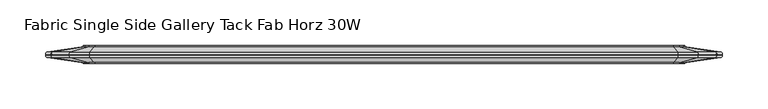
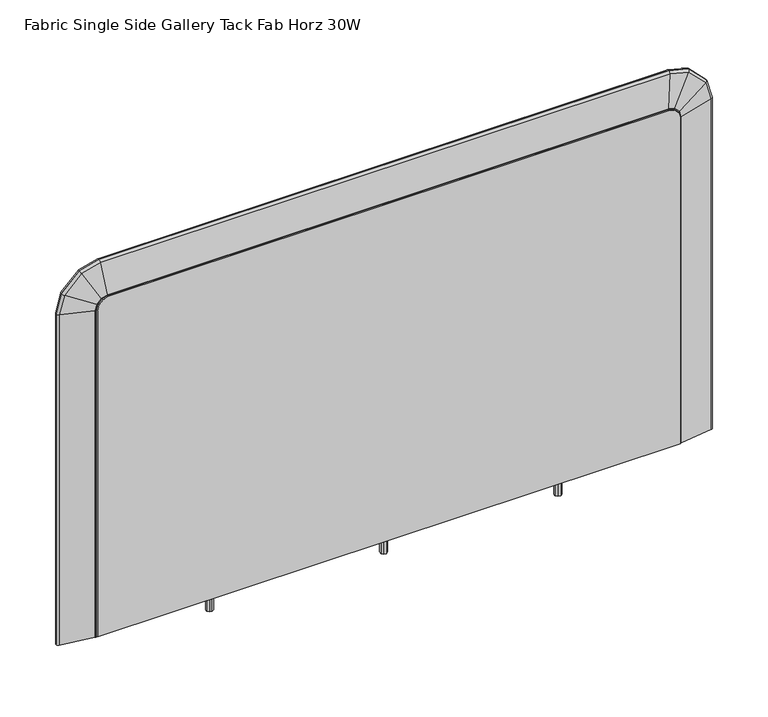
"""IFC4 building model written with IfcOpenShell, lengths in millimetres: furniture geometry, Fabric Single Side Gallery Tack Fab Horz 30W."""

from ifc_helpers import new_model, si_unit, frame, origin, place, context, project, spatial, polyline, circle_curve, ellipse_curve, outline, extrude, faceted_brep, source, transform, mapped, element, save
from ifc_brep_helpers import plane_surface, cylinder_surface, advanced_brep


def fabric_single_side_gallery_tack_fab_horz_30w_cdfecbd6(model_context):
    return source(origin(), model_context, "Body", "SolidModel", [
        faceted_brep([(182.0608047, -24.5352982, 727.3148755), (182.0608047, -38.5848849, 727.3148755), (161.465212, -38.5848849, 727.3148755), (161.465212, -24.5352982, 727.3148755), (161.465212, -24.5352982, 721.056912), (182.0608047, -24.5352982, 721.056912), (161.465212, -38.5848849, 721.056912), (182.0608047, -38.5848849, 721.056912), (41.35374, -21.6312787, 721.056912), (41.35374, -21.6312787, 1111.5510233), (43.0552145, -21.6312787, 1117.9009991), (47.7037408, -21.6312787, 1122.5494799), (54.0537392, -21.6312787, 1124.2509748), (689.0537158, -21.6312787, 1124.2509748), (695.4036916, -21.6312787, 1122.5494799), (700.052245, -21.6312787, 1117.9009991), (701.75374, -21.6312787, 1111.5510233), (701.75374, -21.6312787, 721.056912), (41.35374, -41.6655198, 721.056912), (701.75374, -41.6655198, 721.056912), (701.75374, -41.6655198, 1111.5510233), (700.052245, -41.6655198, 1117.9009991), (695.4036916, -41.6655198, 1122.5494799), (689.0537158, -41.6655198, 1124.2509748), (54.0537392, -41.6655198, 1124.2509748), (47.7037408, -41.6655198, 1122.5494799), (43.0552145, -41.6655198, 1117.9009991), (41.35374, -41.6655198, 1111.5510233), (581.4452878, -24.5352982, 721.056912), (556.0744951, -24.5352982, 721.056912), (556.0744951, -38.5848849, 721.056912), (581.4452878, -38.5848849, 721.056912), (556.0744951, -24.5352982, 727.3148755), (581.4452878, -24.5352982, 727.3148755), (581.4452878, -38.5848849, 727.3148755), (556.0744951, -38.5848849, 727.3148755)], [[[0, 1, 2, 3]], [[0, 3, 4, 5]], [[3, 2, 6, 4]], [[2, 1, 7, 6]], [[1, 0, 5, 7]], [[8, 9, 10, 11, 12, 13, 14, 15, 16, 17]], [[18, 19, 20, 21, 22, 23, 24, 25, 26, 27]], [[9, 8, 18, 27]], [[10, 9, 27, 26]], [[11, 10, 26, 25]], [[12, 11, 25, 24]], [[13, 12, 24, 23]], [[14, 13, 23, 22]], [[15, 14, 22, 21]], [[16, 15, 21, 20]], [[17, 16, 20, 19]], [[8, 17, 19, 18], [5, 4, 6, 7], [28, 29, 30, 31]], [[32, 33, 34, 35]], [[33, 32, 29, 28]], [[34, 33, 28, 31]], [[35, 34, 31, 30]], [[32, 35, 30, 29]]]),
        extrude(outline(polyline([(567.8115069, -27.7980412), (570.8230782, -28.1945209), (572.6722204, -30.6043713), (572.2757329, -33.6159343), (569.8658873, -35.4650775), (566.854316, -35.0685977), (565.0051738, -32.6587474), (565.4016613, -29.6471844), (567.8115069, -27.7980412)]), holes=[polyline([(567.8826636, -28.0636008), (565.6397553, -29.7846483), (565.2707337, -32.5875912), (566.9917799, -34.8305034), (569.7947306, -35.1995178), (572.0376389, -33.4784704), (572.4066605, -30.6755274), (570.6856143, -28.4326153), (567.8826636, -28.0636008)])]), frame((0.0, 0.0, 700.99428), z_axis=(0.0, 0.0, 1.0), x_axis=(1.0, 0.0, 0.0)), (0.0, 0.0, 1.0), 26.3205955),
        extrude(outline(polyline([(173.0545058, -27.7980412), (176.0660771, -28.1945209), (177.9152193, -30.6043713), (177.5187318, -33.6159343), (175.1088862, -35.4650775), (172.0973149, -35.0685977), (170.2481727, -32.6587474), (170.6446602, -29.6471844), (173.0545058, -27.7980412)]), holes=[polyline([(173.1256625, -28.0636008), (170.8827542, -29.7846483), (170.5137326, -32.5875912), (172.2347788, -34.8305034), (175.0377295, -35.1995178), (177.2806378, -33.4784704), (177.6496594, -30.6755274), (175.9286132, -28.4326153), (173.1256625, -28.0636008)])]), frame((0.0, 0.0, 700.99428), z_axis=(0.0, 0.0, 1.0), x_axis=(1.0, 0.0, 0.0)), (0.0, 0.0, 1.0), 26.3205955),
        extrude(outline(polyline([(370.4280597, -27.7980412), (373.439631, -28.1945209), (375.2887732, -30.6043713), (374.8922858, -33.6159343), (372.4824401, -35.4650775), (369.4708689, -35.0685977), (367.6217266, -32.6587474), (368.0182141, -29.6471844), (370.4280597, -27.7980412)]), holes=[polyline([(370.4992164, -28.0636008), (368.2563081, -29.7846483), (367.8872866, -32.5875912), (369.6083327, -34.8305034), (372.4112834, -35.1995178), (374.6541917, -33.4784704), (375.0232133, -30.6755274), (373.3021672, -28.4326153), (370.4992164, -28.0636008)])]), frame((0.0, 0.0, 700.99428), z_axis=(0.0, 0.0, 1.0), x_axis=(1.0, 0.0, 0.0)), (0.0, 0.0, 1.0), 26.3205955),
        advanced_brep(
        [(41.35374, -40.3955198, 720.263162), (40.527722, -40.3955198, 720.263162), (39.2303702, -40.3003466, 720.263162), (2.1950955, -34.8371601, 720.263162), (0.2344281, -32.1683735, 720.263162), (1.4359994, -31.9712076, 720.263162), (0.2308623, -31.6483991, 720.263162), (2.1917528, -29.0070421, 720.263162), (39.1963882, -23.5483754, 720.263162), (40.4937399, -23.4532022, 720.263162), (41.35374, -23.4532022, 720.263162), (701.75374, -40.3955198, 720.263162), (701.75374, -23.4532022, 720.263162), (702.6137401, -23.4532022, 720.263162), (703.9110918, -23.5483754, 720.263162), (740.9157272, -29.0070421, 720.263162), (742.8766177, -31.6483991, 720.263162), (741.6714806, -31.9712076, 720.263162), (742.8730519, -32.1683735, 720.263162), (740.9123845, -34.8371601, 720.263162), (703.8771098, -40.3003466, 720.263162), (702.579758, -40.3955198, 720.263162), (701.75374, -40.3955198, 1110.7572733), (701.75374, -23.4532022, 1110.7572733), (700.052245, -23.4532022, 1117.1072491), (695.4036916, -23.4532022, 1121.7557299), (689.0537158, -23.4532022, 1123.4572248), (54.0537392, -23.4532022, 1123.4572248), (47.7037408, -23.4532022, 1121.7557299), (43.0552145, -23.4532022, 1117.1072491), (41.35374, -23.4532022, 1110.7572733), (40.4937399, -23.4532022, 1110.8704947), (42.2841603, -23.4532022, 1117.5524202), (47.2585733, -23.4532022, 1122.5267846), (53.9405169, -23.4532022, 1124.3172249), (689.1669385, -23.4532022, 1124.3172249), (695.848858, -23.4532022, 1122.5267846), (700.8232979, -23.4532022, 1117.5524225), (702.6137401, -23.4532022, 1110.870496), (703.9110918, -23.5483754, 1111.0412979), (740.9157272, -29.0070421, 1115.9131172), (742.8766177, -31.6483991, 1116.1712769), (741.6714806, -31.9712076, 1116.0126154), (742.8730519, -32.1683735, 1116.1708075), (740.9123845, -34.8371601, 1115.9126772), (703.8771098, -40.3003466, 1111.036824), (702.579758, -40.3955198, 1110.8660221), (700.7928305, -40.3955198, 1117.5348319), (695.8312677, -40.3955198, 1122.4963171), (689.1624646, -40.3955198, 1124.2832429), (53.9449908, -40.3955198, 1124.2832429), (47.2761636, -40.3955198, 1122.4963171), (42.3146278, -40.3955198, 1117.5348297), (40.527722, -40.3955198, 1110.8660209), (41.35374, -40.3955198, 1110.7572733), (43.0552145, -40.3955198, 1117.1072491), (47.7037408, -40.3955198, 1121.7557299), (54.0537392, -40.3955198, 1123.4572248), (689.0537158, -40.3955198, 1123.4572248), (695.4036916, -40.3955198, 1121.7557299), (700.052245, -40.3955198, 1117.1072491), (701.9864685, -23.5483754, 1118.2239882), (735.1638272, -29.0070421, 1137.3791963), (736.9219087, -31.6483991, 1138.3942385), (735.8414153, -31.9712076, 1137.7704072), (736.9187118, -32.1683735, 1138.3923927), (735.1608302, -34.8371601, 1137.377466), (701.9560011, -40.3003466, 1118.2063976), (696.5204132, -23.5483754, 1123.689958), (715.6753219, -29.0070421, 1156.8673969), (716.6903482, -31.6483991, 1158.6254827), (716.0665266, -31.9712076, 1157.5449867), (716.6885024, -32.1683735, 1158.6222858), (715.6735916, -34.8371601, 1156.8643999), (696.5028229, -40.3003466, 1123.6594906), (689.3377404, -23.5483754, 1125.6145767), (694.2095597, -29.0070421, 1162.619212), (694.4677194, -31.6483991, 1164.5801025), (694.3090579, -31.9712076, 1163.3749655), (694.46725, -32.1683735, 1164.5765368), (694.2091197, -34.8371601, 1162.6158693), (689.3332665, -40.3003466, 1125.5805946), (53.7697156, -23.5483754, 1125.6145767), (48.8979131, -29.0070421, 1162.619212), (48.6397543, -31.6483991, 1164.5801025), (48.7984152, -31.9712076, 1163.3749655), (48.6402238, -32.1683735, 1164.5765368), (48.8983532, -34.8371601, 1162.6158693), (53.7741895, -40.3003466, 1125.5805946), (46.5870166, -23.5483754, 1123.6899579), (27.4320643, -29.0070421, 1156.8673943), (26.4170356, -31.6483991, 1158.62548), (27.0408586, -31.9712076, 1157.544984), (26.4188814, -32.1683735, 1158.622283), (27.4337946, -34.8371601, 1156.8643973), (46.6046069, -40.3003466, 1123.6594904), (41.1209877, -23.5483754, 1118.2239824), (7.9435719, -29.0070421, 1137.3790923), (6.1854873, -31.6483991, 1138.3941293), (7.2659826, -31.9712076, 1137.7703012), (6.1886843, -32.1683735, 1138.3922835), (7.9465689, -34.8371601, 1137.377362), (41.1514552, -40.3003466, 1118.2063919), (39.1963882, -23.5483754, 1111.0412946), (2.1917528, -29.0070421, 1115.9130574), (0.2308623, -31.6483991, 1116.1712141), (1.4359994, -31.9712076, 1116.0125545), (0.2344281, -32.1683735, 1116.1707447), (2.1950955, -34.8371601, 1115.9126174), (39.2303702, -40.3003466, 1111.0368208)],
        [
            (0, 1),
            (1, 2, circle_curve(frame((40.527722, -31.5055198, 720.263162), z_axis=(0.0, 0.0, -1.0), x_axis=(1.0, 0.0, 0.0)), 8.89)),
            (2, 3),
            (3, 4, circle_curve(frame((2.5350157, -32.5328209, 720.263162), z_axis=(0.0, 0.0, -1.0), x_axis=(1.0, 0.0, 0.0)), 2.3292757)),
            (4, 5),
            (5, 6),
            (6, 7, circle_curve(frame((2.5311018, -31.3075093, 720.263162), z_axis=(0.0, 0.0, -1.0), x_axis=(1.0, 0.0, 0.0)), 2.3253618)),
            (7, 8),
            (8, 9, circle_curve(frame((40.4937399, -32.3432022, 720.263162), z_axis=(0.0, 0.0, -1.0), x_axis=(1.0, 0.0, 0.0)), 8.89)),
            (9, 10),
            (10, 0),
            (11, 12),
            (12, 13),
            (13, 14, circle_curve(frame((702.6137401, -32.3432022, 720.263162), z_axis=(0.0, 0.0, -1.0), x_axis=(-1.0, 0.0, 0.0)), 8.89)),
            (14, 15),
            (15, 16, circle_curve(frame((740.5763782, -31.3075093, 720.263162), z_axis=(0.0, 0.0, -1.0), x_axis=(-1.0, 0.0, 0.0)), 2.3253618)),
            (16, 17),
            (17, 18),
            (18, 19, circle_curve(frame((740.5724643, -32.5328209, 720.263162), z_axis=(0.0, 0.0, -1.0), x_axis=(-1.0, 0.0, 0.0)), 2.3292757)),
            (19, 20),
            (20, 21, circle_curve(frame((702.579758, -31.5055198, 720.263162), z_axis=(0.0, 0.0, -1.0), x_axis=(-1.0, 0.0, 0.0)), 8.89)),
            (21, 11),
            (11, 22),
            (22, 23),
            (23, 12),
            (23, 24),
            (24, 25),
            (25, 26),
            (26, 27),
            (27, 28),
            (28, 29),
            (29, 30),
            (30, 10),
            (9, 31),
            (31, 32),
            (32, 33),
            (33, 34),
            (34, 35),
            (35, 36),
            (36, 37),
            (37, 38),
            (38, 13),
            (38, 39, ellipse_curve(frame((702.6137401, -32.3432022, 1110.870496), z_axis=(0.1305279474874437, 0.0, -0.9914446302868937), x_axis=(-0.9914446302868937, 0.0, -0.13052794748744298)), 8.9667135, 8.89)),
            (39, 14),
            (39, 40),
            (40, 15),
            (40, 41, ellipse_curve(frame((740.5763782, -31.3075093, 1115.8684405), z_axis=(0.1305279474874437, 0.0, -0.9914446302868937), x_axis=(-0.9914446302868937, 0.0, -0.13052794748744298)), 2.3454278, 2.3253618)),
            (41, 16),
            (41, 42),
            (42, 17),
            (42, 43),
            (43, 18),
            (43, 44, ellipse_curve(frame((740.5724643, -32.5328209, 1115.8679252), z_axis=(0.1305279474874437, 0.0, -0.9914446302868937), x_axis=(-0.9914446302868937, 0.0, -0.13052794748744298)), 2.3493754, 2.3292757)),
            (44, 19),
            (44, 45),
            (45, 20),
            (45, 46, ellipse_curve(frame((702.579758, -31.5055198, 1110.8660221), z_axis=(0.1305279474874437, 0.0, -0.9914446302868937), x_axis=(-0.9914446302868937, 0.0, -0.13052794748744298)), 8.9667135, 8.89)),
            (46, 21),
            (46, 47),
            (47, 48),
            (48, 49),
            (49, 50),
            (50, 51),
            (51, 52),
            (52, 53),
            (53, 1),
            (0, 54),
            (54, 55),
            (55, 56),
            (56, 57),
            (57, 58),
            (58, 59),
            (59, 60),
            (60, 22),
            (60, 24),
            (37, 61, ellipse_curve(frame((700.8232979, -32.3432022, 1117.5524225), z_axis=(0.5000049178456961, 0.0, -0.8660225644462844), x_axis=(-0.8660225644462847, 0.0, -0.5000049178456953)), 9.2036105, 8.89)),
            (61, 39),
            (61, 62),
            (62, 40),
            (62, 63, ellipse_curve(frame((734.859576, -31.3075093, 1137.2035345), z_axis=(0.5000049178456961, 0.0, -0.8660225644462844), x_axis=(-0.8660225644462847, 0.0, -0.5000049178456953)), 2.407393, 2.3253618)),
            (63, 41),
            (63, 64),
            (64, 42),
            (64, 65),
            (65, 43),
            (65, 66, ellipse_curve(frame((734.856067, -32.5328209, 1137.2015086), z_axis=(0.5000049178456961, 0.0, -0.8660225644462844), x_axis=(-0.8660225644462847, 0.0, -0.5000049178456953)), 2.411445, 2.3292757)),
            (66, 44),
            (66, 67),
            (67, 45),
            (67, 47, ellipse_curve(frame((700.7928305, -31.5055198, 1117.5348319), z_axis=(0.5000049178456961, 0.0, -0.8660225644462844), x_axis=(-0.8660225644462847, 0.0, -0.5000049178456953)), 9.2036105, 8.89)),
            (59, 25),
            (36, 68, ellipse_curve(frame((695.848858, -32.3432022, 1122.5267846), z_axis=(0.8660264726880769, 0.0, -0.4999981486000199), x_axis=(-0.49999814860001957, 0.0, -0.8660264726880771)), 9.2035912, 8.89)),
            (68, 61),
            (68, 69),
            (69, 62),
            (69, 70, ellipse_curve(frame((715.4996629, -31.3075093, 1156.5631451), z_axis=(0.8660264726880769, 0.0, -0.4999981486000199), x_axis=(-0.49999814860001957, 0.0, -0.8660264726880771)), 2.407388, 2.3253618)),
            (70, 63),
            (70, 71),
            (71, 64),
            (71, 72),
            (72, 65),
            (72, 73, ellipse_curve(frame((715.4976369, -32.5328209, 1156.559636), z_axis=(0.8660264726880769, 0.0, -0.4999981486000199), x_axis=(-0.49999814860001957, 0.0, -0.8660264726880771)), 2.4114399, 2.3292757)),
            (73, 66),
            (73, 74),
            (74, 67),
            (74, 48, ellipse_curve(frame((695.8312677, -31.5055198, 1122.4963171), z_axis=(0.8660264726880769, 0.0, -0.4999981486000199), x_axis=(-0.49999814860001957, 0.0, -0.8660264726880771)), 9.2035912, 8.89)),
            (58, 26),
            (35, 75, ellipse_curve(frame((689.1669385, -32.3432022, 1124.3172249), z_axis=(0.9914446302856296, 0.0, -0.1305279474970452), x_axis=(-0.13052794749704538, 0.0, -0.9914446302856295)), 8.9667135, 8.89)),
            (75, 68),
            (75, 76),
            (76, 69),
            (76, 77, ellipse_curve(frame((694.164883, -31.3075093, 1162.2798631), z_axis=(0.9914446302856296, 0.0, -0.1305279474970452), x_axis=(-0.13052794749704538, 0.0, -0.9914446302856295)), 2.3454278, 2.3253618)),
            (77, 70),
            (77, 78),
            (78, 71),
            (78, 79),
            (79, 72),
            (79, 80, ellipse_curve(frame((694.1643677, -32.5328209, 1162.2759492), z_axis=(0.9914446302856296, 0.0, -0.1305279474970452), x_axis=(-0.13052794749704538, 0.0, -0.9914446302856295)), 2.3493754, 2.3292757)),
            (80, 73),
            (80, 81),
            (81, 74),
            (81, 49, ellipse_curve(frame((689.1624646, -31.5055198, 1124.2832429), z_axis=(0.9914446302856296, 0.0, -0.1305279474970452), x_axis=(-0.13052794749704538, 0.0, -0.9914446302856295)), 8.9667135, 8.89)),
            (57, 27),
            (34, 82, ellipse_curve(frame((53.9405169, -32.3432022, 1124.3172249), z_axis=(0.9914446886366662, 0.0, 0.13052750428221627), x_axis=(0.13052750428221643, 0.0, -0.9914446886366662)), 8.966713, 8.89)),
            (82, 75),
            (82, 83),
            (83, 76),
            (83, 84, ellipse_curve(frame((48.9425897, -31.3075093, 1162.2798631), z_axis=(0.9914446886366662, 0.0, 0.13052750428221627), x_axis=(0.13052750428221643, 0.0, -0.9914446886366662)), 2.3454276, 2.3253618)),
            (84, 77),
            (84, 85),
            (85, 78),
            (85, 86),
            (86, 79),
            (86, 87, ellipse_curve(frame((48.943105, -32.5328209, 1162.2759492), z_axis=(0.9914446886366662, 0.0, 0.13052750428221627), x_axis=(0.13052750428221643, 0.0, -0.9914446886366662)), 2.3493753, 2.3292757)),
            (87, 80),
            (87, 88),
            (88, 81),
            (88, 50, ellipse_curve(frame((53.9449908, -31.5055198, 1124.2832429), z_axis=(0.9914446886366662, 0.0, 0.13052750428221627), x_axis=(0.13052750428221643, 0.0, -0.9914446886366662)), 8.966713, 8.89)),
            (56, 28),
            (33, 89, ellipse_curve(frame((47.2585733, -32.3432022, 1122.5267846), z_axis=(0.8660259634188125, 0.0, 0.49999903068357804), x_axis=(0.49999903068357804, 0.0, -0.8660259634188127)), 9.203596, 8.89)),
            (89, 82),
            (89, 90),
            (90, 83),
            (90, 91, ellipse_curve(frame((27.6077237, -31.3075093, 1156.5631424), z_axis=(0.8660259634188125, 0.0, 0.49999903068357804), x_axis=(0.49999903068357804, 0.0, -0.8660259634188127)), 2.4073892, 2.3253618)),
            (91, 84),
            (91, 92),
            (92, 85),
            (92, 93),
            (93, 86),
            (93, 94, ellipse_curve(frame((27.6097497, -32.5328209, 1156.5596333), z_axis=(0.8660259634188125, 0.0, 0.49999903068357804), x_axis=(0.49999903068357804, 0.0, -0.8660259634188127)), 2.4114412, 2.3292757)),
            (94, 87),
            (94, 95),
            (95, 88),
            (95, 51, ellipse_curve(frame((47.2761636, -31.5055198, 1122.4963171), z_axis=(0.8660259634188125, 0.0, 0.49999903068357804), x_axis=(0.49999903068357804, 0.0, -0.8660259634188127)), 9.203596, 8.89)),
            (55, 29),
            (32, 96, ellipse_curve(frame((42.2841603, -32.3432022, 1117.5524202), z_axis=(0.5000023482671837, 0.0, 0.8660240480075031), x_axis=(0.8660240480075027, 0.0, -0.5000023482671845)), 9.2036106, 8.89)),
            (96, 89),
            (96, 97),
            (97, 90),
            (97, 98, ellipse_curve(frame((8.2478236, -31.3075093, 1137.2034315), z_axis=(0.5000023482671837, 0.0, 0.8660240480075031), x_axis=(0.8660240480075027, 0.0, -0.5000023482671845)), 2.4073931, 2.3253618)),
            (98, 91),
            (98, 99),
            (99, 92),
            (99, 100),
            (100, 93),
            (100, 101, ellipse_curve(frame((8.2513326, -32.5328209, 1137.2014055), z_axis=(0.5000023482671837, 0.0, 0.8660240480075031), x_axis=(0.8660240480075027, 0.0, -0.5000023482671845)), 2.411445, 2.3292757)),
            (101, 94),
            (101, 102),
            (102, 95),
            (102, 52, ellipse_curve(frame((42.3146278, -31.5055198, 1117.5348297), z_axis=(0.5000023482671837, 0.0, 0.8660240480075031), x_axis=(0.8660240480075027, 0.0, -0.5000023482671845)), 9.2036106, 8.89)),
            (54, 30),
            (31, 103, ellipse_curve(frame((40.4937399, -32.3432022, 1110.8704947), z_axis=(0.13052645881328268, 0.0, 0.9914448262761093), x_axis=(0.9914448262761093, 0.0, -0.13052645881328304)), 8.9667118, 8.89)),
            (103, 96),
            (103, 104),
            (104, 97),
            (104, 105, ellipse_curve(frame((2.5311018, -31.3075093, 1115.8683812), z_axis=(0.13052645881328268, 0.0, 0.9914448262761093), x_axis=(0.9914448262761093, 0.0, -0.13052645881328304)), 2.3454273, 2.3253618)),
            (105, 98),
            (105, 106),
            (106, 99),
            (106, 107),
            (107, 100),
            (107, 108, ellipse_curve(frame((2.5350157, -32.5328209, 1115.8678659), z_axis=(0.13052645881328268, 0.0, 0.9914448262761093), x_axis=(0.9914448262761093, 0.0, -0.13052645881328304)), 2.349375, 2.3292757)),
            (108, 101),
            (108, 109),
            (109, 102),
            (109, 53, ellipse_curve(frame((40.527722, -31.5055198, 1110.8660209), z_axis=(0.13052645881328268, 0.0, 0.9914448262761093), x_axis=(0.9914448262761093, 0.0, -0.13052645881328304)), 8.9667118, 8.89)),
            (8, 103),
            (7, 104),
            (6, 105),
            (5, 106),
            (4, 107),
            (3, 108),
            (2, 109),
        ],
        [
            plane_surface(frame((41.35374, -22.3842497, 720.263162), z_axis=(0.0, 0.0, -1.0), x_axis=(0.0, -1.0, 0.0))),
            plane_surface(frame((701.75374, -22.3842497, 720.263162), z_axis=(0.0, 0.0, -1.0), x_axis=(0.0, -1.0, 0.0))),
            plane_surface(frame((701.75374, -40.3955198, 720.263162), z_axis=(-1.0, 0.0, 0.0), x_axis=(0.0, 0.0, 1.0))),
            plane_surface(frame((701.75374, -23.4532022, 720.263162), z_axis=(0.0, 1.0, 0.0), x_axis=(0.0, 0.0, 1.0))),
            cylinder_surface(frame((702.6137401, -32.3432022, 720.263162), z_axis=(0.0, 0.0, -1.0), x_axis=(-1.0, 0.0, 0.0)), 8.89),
            plane_surface(frame((703.9110918, -23.5483754, 720.263162), z_axis=(0.14593382959754853, 0.989294353253365, 0.0), x_axis=(0.0, 0.0, 1.0))),
            cylinder_surface(frame((740.5763782, -31.3075093, 720.263162), z_axis=(0.0, 0.0, -1.0), x_axis=(-1.0, 0.0, 0.0)), 2.3253618),
            plane_surface(frame((742.8766177, -31.6483991, 720.263162), z_axis=(0.2587390196457306, -0.9659472654926698, 0.0), x_axis=(0.0, 0.0, 1.0))),
            plane_surface(frame((741.6714806, -31.9712076, 720.263162), z_axis=(0.1619245654582498, 0.9868031389801905, 0.0), x_axis=(0.0, 0.0, 1.0))),
            cylinder_surface(frame((740.5724643, -32.5328209, 720.263162), z_axis=(0.0, 0.0, -1.0), x_axis=(-1.0, 0.0, 0.0)), 2.3292757),
            plane_surface(frame((740.9123845, -34.8371601, 720.263162), z_axis=(0.14593382959753973, -0.9892943532533662, 0.0), x_axis=(0.0, 0.0, 1.0))),
            cylinder_surface(frame((702.579758, -31.5055198, 720.263162), z_axis=(0.0, 0.0, -1.0), x_axis=(-1.0, 0.0, 0.0)), 8.89),
            plane_surface(frame((702.579758, -40.3955198, 720.263162), z_axis=(0.0, -1.0, 0.0), x_axis=(0.0, 0.0, 1.0))),
            plane_surface(frame((701.75374, -40.3955198, 1110.7572733), z_axis=(-0.9659249098494266, 0.0, -0.2588224652776054), x_axis=(-0.2588224652776054, 0.0, 0.9659249098494266))),
            cylinder_surface(frame((702.5844355, -32.3432022, 1110.9798606), z_axis=(0.25882246527759134, 0.0, -0.9659249098494304), x_axis=(-0.9659249098494304, 0.0, -0.25882246527759134)), 8.89),
            plane_surface(frame((703.9110918, -23.5483754, 1111.0412979), z_axis=(0.1409611211979943, 0.9892943532533649, 0.03777095354383861), x_axis=(-0.2588224652775912, 0.0, 0.9659249098494304))),
            cylinder_surface(frame((739.2534933, -31.3075093, 1120.8054442), z_axis=(0.25882246527759134, 0.0, -0.9659249098494304), x_axis=(-0.9659249098494304, 0.0, -0.25882246527759134)), 2.3253618),
            plane_surface(frame((742.8766177, -31.6483991, 1116.1712769), z_axis=(0.24992246422583228, -0.9659472654926701, 0.06696747092821376), x_axis=(-0.25882246527759173, 0.0, 0.9659249098494302))),
            plane_surface(frame((741.6714806, -31.9712076, 1116.0126154), z_axis=(0.15640697129266798, 0.9868031389801906, 0.041909715220909), x_axis=(-0.25882246527759467, 0.0, 0.9659249098494295))),
            cylinder_surface(frame((739.2497128, -32.5328209, 1120.8044312), z_axis=(0.25882246527759134, 0.0, -0.9659249098494304), x_axis=(-0.9659249098494304, 0.0, -0.25882246527759134)), 2.3292757),
            plane_surface(frame((740.9123845, -34.8371601, 1115.9126772), z_axis=(0.14096112119798576, -0.9892943532533666, 0.03777095354383355), x_axis=(-0.25882246527759095, 0.0, 0.9659249098494305))),
            cylinder_surface(frame((702.5516114, -31.5055198, 1110.9710653), z_axis=(0.25882246527759134, 0.0, -0.9659249098494304), x_axis=(-0.9659249098494304, 0.0, -0.25882246527759134)), 8.89),
            plane_surface(frame((700.052245, -40.3955198, 1117.1072491), z_axis=(-0.707101254086499, 0.0, -0.7071123082433938), x_axis=(-0.7071123082433938, 0.0, 0.707101254086499))),
            cylinder_surface(frame((700.6603522, -32.3432022, 1117.7153657), z_axis=(0.7071123082433939, 0.0, -0.707101254086499), x_axis=(-0.707101254086499, 0.0, -0.7071123082433939)), 8.89),
            plane_surface(frame((701.9864685, -23.5483754, 1118.2239882), z_axis=(0.10318999392207091, 0.9892943532533649, 0.10319160709752323), x_axis=(-0.7071123082434012, 0.0, 0.7071012540864916))),
            cylinder_surface(frame((727.5037812, -31.3075093, 1144.5592144), z_axis=(0.7071123082433939, 0.0, -0.707101254086499), x_axis=(-0.707101254086499, 0.0, -0.7071123082433939)), 2.3253618),
            plane_surface(frame((736.9219087, -31.6483991, 1138.3942385), z_axis=(0.18295468527260744, -0.9659472654926702, 0.1829575454143238), x_axis=(-0.7071123082433931, 0.0, 0.7071012540864998))),
            plane_surface(frame((735.8414153, -31.9712076, 1137.7704072), z_axis=(0.11449706330294013, 0.9868031389801903, 0.11449885324249277), x_axis=(-0.7071123082433916, 0.0, 0.7071012540865014))),
            cylinder_surface(frame((727.5010137, -32.5328209, 1144.5564468), z_axis=(0.7071123082433939, 0.0, -0.707101254086499), x_axis=(-0.707101254086499, 0.0, -0.7071123082433939)), 2.3292757),
            plane_surface(frame((735.1608302, -34.8371601, 1137.377466), z_axis=(0.10318999392206599, -0.9892943532533667, 0.10319160709751274), x_axis=(-0.7071123082433933, 0.0, 0.7071012540864996))),
            cylinder_surface(frame((700.6363234, -31.5055198, 1117.6913366), z_axis=(0.7071123082433939, 0.0, -0.707101254086499), x_axis=(-0.707101254086499, 0.0, -0.7071123082433939)), 8.89),
            plane_surface(frame((695.4036916, -40.3955198, 1121.7557299), z_axis=(-0.25882246529630404, 0.0, -0.9659249098444161), x_axis=(-0.9659249098444161, 0.0, 0.25882246529630404))),
            cylinder_surface(frame((695.6262789, -32.3432022, 1122.5864254), z_axis=(0.9659249098444174, 0.0, -0.2588224652963002), x_axis=(-0.2588224652963002, 0.0, -0.9659249098444174)), 8.89),
            plane_surface(frame((696.5204132, -23.5483754, 1123.689958), z_axis=(0.03777095354657056, 0.9892943532533648, 0.14096112119726328), x_axis=(-0.9659249098444126, 0.0, 0.2588224652963174))),
            cylinder_surface(frame((705.4518625, -31.3075093, 1159.2554832), z_axis=(0.9659249098444174, 0.0, -0.2588224652963002), x_axis=(-0.2588224652963002, 0.0, -0.9659249098444174)), 2.3253618),
            plane_surface(frame((716.6903482, -31.6483991, 1158.6254827), z_axis=(0.06696747093305642, -0.9659472654926703, 0.24992246422453362), x_axis=(-0.9659249098444163, 0.0, 0.2588224652963038))),
            plane_surface(frame((716.0665266, -31.9712076, 1157.5449867), z_axis=(0.041909715223937063, 0.9868031389801901, 0.15640697129185765), x_axis=(-0.9659249098444166, 0.0, 0.2588224652963023))),
            cylinder_surface(frame((705.4508495, -32.5328209, 1159.2517027), z_axis=(0.9659249098444174, 0.0, -0.2588224652963002), x_axis=(-0.2588224652963002, 0.0, -0.9659249098444174)), 2.3292757),
            plane_surface(frame((715.6735916, -34.8371601, 1156.8643999), z_axis=(0.037770953546565414, -0.9892943532533666, 0.14096112119725265), x_axis=(-0.9659249098444166, 0.0, 0.2588224652963027))),
            cylinder_surface(frame((695.6174836, -31.5055198, 1122.5536012), z_axis=(0.9659249098444174, 0.0, -0.2588224652963002), x_axis=(-0.2588224652963002, 0.0, -0.9659249098444174)), 8.89),
            plane_surface(frame((689.0537158, -40.3955198, 1123.4572248), z_axis=(0.0, 0.0, -1.0), x_axis=(-1.0, 0.0, 0.0))),
            cylinder_surface(frame((689.0537158, -32.3432022, 1124.3172249), z_axis=(1.0, 0.0, 0.0), x_axis=(0.0, 0.0, -1.0)), 8.89),
            plane_surface(frame((689.3377404, -23.5483754, 1125.6145767), z_axis=(0.0, 0.9892943532533648, 0.1459338295975499), x_axis=(-1.0, 0.0, 0.0))),
            cylinder_surface(frame((689.0537158, -31.3075093, 1162.2798631), z_axis=(1.0, 0.0, 0.0), x_axis=(0.0, 0.0, -1.0)), 2.3253618),
            plane_surface(frame((694.4677194, -31.6483991, 1164.5801025), z_axis=(0.0, -0.9659472654926702, 0.25873901964572915), x_axis=(-1.0, 0.0, 0.0))),
            plane_surface(frame((694.3090579, -31.9712076, 1163.3749655), z_axis=(0.0, 0.9868031389801902, 0.16192456545825118), x_axis=(-1.0, 0.0, 0.0))),
            cylinder_surface(frame((689.0537158, -32.5328209, 1162.2759492), z_axis=(1.0, 0.0, 0.0), x_axis=(0.0, 0.0, -1.0)), 2.3292757),
            plane_surface(frame((694.2091197, -34.8371601, 1162.6158693), z_axis=(0.0, -0.9892943532533665, 0.14593382959753828), x_axis=(-1.0, 0.0, 0.0))),
            cylinder_surface(frame((689.0537158, -31.5055198, 1124.2832429), z_axis=(1.0, 0.0, 0.0), x_axis=(0.0, 0.0, -1.0)), 8.89),
            plane_surface(frame((54.0537392, -40.3955198, 1123.4572248), z_axis=(0.2588216016832134, 0.0, -0.9659251412517101), x_axis=(-0.9659251412517101, 0.0, -0.2588216016832134))),
            cylinder_surface(frame((53.8311526, -32.3432022, 1124.2879206), z_axis=(0.9659251412517121, 0.0, 0.2588216016832059), x_axis=(0.2588216016832059, 0.0, -0.9659251412517121)), 8.89),
            plane_surface(frame((53.7697156, -23.5483754, 1125.6145767), z_axis=(-0.03777082751620355, 0.9892943532533648, 0.1409611549674163), x_axis=(-0.9659251412517091, 0.0, -0.2588216016832171))),
            cylinder_surface(frame((44.0056018, -31.3075093, 1160.9569872), z_axis=(0.9659251412517121, 0.0, 0.2588216016832059), x_axis=(0.2588216016832059, 0.0, -0.9659251412517121)), 2.3253618),
            plane_surface(frame((48.6397543, -31.6483991, 1164.5801025), z_axis=(-0.0669672474826502, -0.9659472654926702, 0.2499225240986304), x_axis=(-0.9659251412517119, 0.0, -0.25882160168320634))),
            plane_surface(frame((48.7984152, -31.9712076, 1163.3749655), z_axis=(-0.041909575383761284, 0.9868031389801903, 0.15640700876238345), x_axis=(-0.9659251412517128, 0.0, -0.25882160168320345))),
            cylinder_surface(frame((44.0066148, -32.5328209, 1160.9532066), z_axis=(0.9659251412517121, 0.0, 0.2588216016832059), x_axis=(0.2588216016832059, 0.0, -0.9659251412517121)), 2.3292757),
            plane_surface(frame((48.8983532, -34.8371601, 1162.6158693), z_axis=(-0.03777082751619842, -0.9892943532533666, 0.1409611549674056), x_axis=(-0.965925141251713, 0.0, -0.25882160168320256))),
            cylinder_surface(frame((53.8399479, -31.5055198, 1124.2550964), z_axis=(0.9659251412517121, 0.0, 0.2588216016832059), x_axis=(0.2588216016832059, 0.0, -0.9659251412517121)), 8.89),
            plane_surface(frame((47.7037408, -40.3955198, 1121.7557299), z_axis=(0.707103326743919, 0.0, -0.7071102356123002), x_axis=(-0.7071102356123002, 0.0, -0.707103326743919))),
            cylinder_surface(frame((47.0956318, -32.3432022, 1122.3638447), z_axis=(0.7071102356123058, 0.0, 0.7071033267439134), x_axis=(0.7071033267439134, 0.0, -0.7071102356123058)), 8.89),
            plane_surface(frame((46.5870166, -23.5483754, 1123.6899579), z_axis=(-0.10319029639290549, 0.9892943532533649, 0.10319130463053061), x_axis=(-0.7071102356123089, 0.0, -0.7071033267439103))),
            cylinder_surface(frame((20.2521241, -31.3075093, 1149.2076147), z_axis=(0.7071102356123058, 0.0, 0.7071033267439134), x_axis=(0.7071033267439134, 0.0, -0.7071102356123058)), 2.3253618),
            plane_surface(frame((26.4170356, -31.6483991, 1158.62548), z_axis=(-0.18295522154995528, -0.9659472654926701, 0.18295700914378765), x_axis=(-0.7071102356123043, 0.0, -0.7071033267439147))),
            plane_surface(frame((27.0408586, -31.9712076, 1157.544984), z_axis=(-0.11449739891709058, 0.9868031389801902, 0.11449851763260513), x_axis=(-0.7071102356123063, 0.0, -0.7071033267439127))),
            cylinder_surface(frame((20.2548916, -32.5328209, 1149.2048472), z_axis=(0.7071102356123058, 0.0, 0.7071033267439134), x_axis=(0.7071033267439134, 0.0, -0.7071102356123058)), 2.3292757),
            plane_surface(frame((27.4337946, -34.8371601, 1156.8643973), z_axis=(-0.10319029639289976, -0.9892943532533666, 0.10319130463052079), x_axis=(-0.707110235612306, 0.0, -0.7071033267439132))),
            cylinder_surface(frame((47.1196607, -31.5055198, 1122.3398157), z_axis=(0.7071102356123058, 0.0, 0.7071033267439134), x_axis=(0.7071033267439134, 0.0, -0.7071102356123058)), 8.89),
            plane_surface(frame((43.0552145, -40.3955198, 1117.1072491), z_axis=(0.9659256870993269, 0.0, -0.25881956456514876), x_axis=(-0.25881956456514876, 0.0, -0.9659256870993269))),
            cylinder_surface(frame((42.2245184, -32.3432022, 1117.3298339), z_axis=(0.25881956456514177, 0.0, 0.9659256870993289), x_axis=(0.9659256870993289, 0.0, -0.25881956456514177)), 8.89),
            plane_surface(frame((41.1209877, -23.5483754, 1118.2239824), z_axis=(-0.14096123462504864, 0.9892943532533649, 0.037770530231761926), x_axis=(-0.25881956456513916, 0.0, -0.9659256870993295))),
            cylinder_surface(frame((5.555431, -31.3075093, 1127.1553074), z_axis=(0.25881956456514177, 0.0, 0.9659256870993289), x_axis=(0.9659256870993289, 0.0, -0.25881956456514177)), 2.3253618),
            plane_surface(frame((6.1854873, -31.6483991, 1138.3941293), z_axis=(-0.24992266533070912, -0.96594726549267, 0.0669667204007177), x_axis=(-0.25881956456514, 0.0, -0.9659256870993292))),
            plane_surface(frame((7.2659826, -31.9712076, 1137.7703012), z_axis=(-0.15640709714852022, 0.9868031389801905, 0.041909245524305375), x_axis=(-0.25881956456514293, 0.0, -0.9659256870993285))),
            cylinder_surface(frame((5.5592116, -32.5328209, 1127.1542944), z_axis=(0.25881956456514177, 0.0, 0.9659256870993289), x_axis=(0.9659256870993289, 0.0, -0.25881956456514177)), 2.3292757),
            plane_surface(frame((7.9465689, -34.8371601, 1137.377362), z_axis=(-0.14096123462503987, -0.9892943532533665, 0.037770530231757554), x_axis=(-0.2588195645651412, 0.0, -0.965925687099329))),
            cylinder_surface(frame((42.2573425, -31.5055198, 1117.3210387), z_axis=(0.25881956456514177, 0.0, 0.9659256870993289), x_axis=(0.9659256870993289, 0.0, -0.25881956456514177)), 8.89),
            plane_surface(frame((41.35374, -40.3955198, 1110.7572733), z_axis=(1.0, 0.0, 0.0), x_axis=(0.0, 0.0, -1.0))),
            cylinder_surface(frame((40.4937399, -32.3432022, 1110.7572733), z_axis=(0.0, 0.0, 1.0), x_axis=(1.0, 0.0, 0.0)), 8.89),
            plane_surface(frame((39.1963882, -23.5483754, 1111.0412946), z_axis=(-0.14593382959754853, 0.989294353253365, 0.0), x_axis=(0.0, 0.0, -1.0))),
            cylinder_surface(frame((2.5311018, -31.3075093, 1110.7572733), z_axis=(0.0, 0.0, 1.0), x_axis=(1.0, 0.0, 0.0)), 2.3253618),
            plane_surface(frame((0.2308623, -31.6483991, 1116.1712141), z_axis=(-0.2587390196457306, -0.9659472654926698, 0.0), x_axis=(0.0, 0.0, -1.0))),
            plane_surface(frame((1.4359994, -31.9712076, 1116.0125545), z_axis=(-0.16192456545824976, 0.9868031389801906, 0.0), x_axis=(0.0, 0.0, -1.0))),
            cylinder_surface(frame((2.5350157, -32.5328209, 1110.7572733), z_axis=(0.0, 0.0, 1.0), x_axis=(1.0, 0.0, 0.0)), 2.3292757),
            plane_surface(frame((2.1950955, -34.8371601, 1115.9126174), z_axis=(-0.1459338295975397, -0.9892943532533663, 0.0), x_axis=(0.0, 0.0, -1.0))),
            cylinder_surface(frame((40.527722, -31.5055198, 1110.7572733), z_axis=(0.0, 0.0, 1.0), x_axis=(1.0, 0.0, 0.0)), 8.89),
        ],
        [
            (0, [[1, 2, 3, 4, 5, 6, 7, 8, 9, 10, 11]]),
            (1, [[12, 13, 14, 15, 16, 17, 18, 19, 20, 21, 22]]),
            (2, [[-12, 23, 24, 25]]),
            (3, [[-13, -25, 26, 27, 28, 29, 30, 31, 32, 33, -10, 34, 35, 36, 37, 38, 39, 40, 41, 42]]),
            (4, [[-14, -42, 43, 44]]),
            (5, [[-15, -44, 45, 46]]),
            (6, [[-16, -46, 47, 48]]),
            (7, [[-17, -48, 49, 50]]),
            (8, [[-18, -50, 51, 52]]),
            (9, [[-19, -52, 53, 54]]),
            (10, [[-20, -54, 55, 56]]),
            (11, [[-21, -56, 57, 58]]),
            (12, [[-22, -58, 59, 60, 61, 62, 63, 64, 65, 66, -1, 67, 68, 69, 70, 71, 72, 73, 74, -23]]),
            (13, [[-24, -74, 75, -26]]),
            (14, [[-43, -41, 76, 77]]),
            (15, [[-45, -77, 78, 79]]),
            (16, [[-47, -79, 80, 81]]),
            (17, [[-49, -81, 82, 83]]),
            (18, [[-51, -83, 84, 85]]),
            (19, [[-53, -85, 86, 87]]),
            (20, [[-55, -87, 88, 89]]),
            (21, [[-57, -89, 90, -59]]),
            (22, [[-75, -73, 91, -27]]),
            (23, [[-76, -40, 92, 93]]),
            (24, [[-78, -93, 94, 95]]),
            (25, [[-80, -95, 96, 97]]),
            (26, [[-82, -97, 98, 99]]),
            (27, [[-84, -99, 100, 101]]),
            (28, [[-86, -101, 102, 103]]),
            (29, [[-88, -103, 104, 105]]),
            (30, [[-90, -105, 106, -60]]),
            (31, [[-91, -72, 107, -28]]),
            (32, [[-92, -39, 108, 109]]),
            (33, [[-94, -109, 110, 111]]),
            (34, [[-96, -111, 112, 113]]),
            (35, [[-98, -113, 114, 115]]),
            (36, [[-100, -115, 116, 117]]),
            (37, [[-102, -117, 118, 119]]),
            (38, [[-104, -119, 120, 121]]),
            (39, [[-106, -121, 122, -61]]),
            (40, [[-107, -71, 123, -29]]),
            (41, [[-108, -38, 124, 125]]),
            (42, [[-110, -125, 126, 127]]),
            (43, [[-112, -127, 128, 129]]),
            (44, [[-114, -129, 130, 131]]),
            (45, [[-116, -131, 132, 133]]),
            (46, [[-118, -133, 134, 135]]),
            (47, [[-120, -135, 136, 137]]),
            (48, [[-122, -137, 138, -62]]),
            (49, [[-123, -70, 139, -30]]),
            (50, [[-124, -37, 140, 141]]),
            (51, [[-126, -141, 142, 143]]),
            (52, [[-128, -143, 144, 145]]),
            (53, [[-130, -145, 146, 147]]),
            (54, [[-132, -147, 148, 149]]),
            (55, [[-134, -149, 150, 151]]),
            (56, [[-136, -151, 152, 153]]),
            (57, [[-138, -153, 154, -63]]),
            (58, [[-139, -69, 155, -31]]),
            (59, [[-140, -36, 156, 157]]),
            (60, [[-142, -157, 158, 159]]),
            (61, [[-144, -159, 160, 161]]),
            (62, [[-146, -161, 162, 163]]),
            (63, [[-148, -163, 164, 165]]),
            (64, [[-150, -165, 166, 167]]),
            (65, [[-152, -167, 168, 169]]),
            (66, [[-154, -169, 170, -64]]),
            (67, [[-155, -68, 171, -32]]),
            (68, [[-156, -35, 172, 173]]),
            (69, [[-158, -173, 174, 175]]),
            (70, [[-160, -175, 176, 177]]),
            (71, [[-162, -177, 178, 179]]),
            (72, [[-164, -179, 180, 181]]),
            (73, [[-166, -181, 182, 183]]),
            (74, [[-168, -183, 184, 185]]),
            (75, [[-170, -185, 186, -65]]),
            (76, [[-171, -67, -11, -33]]),
            (77, [[-172, -34, -9, 187]]),
            (78, [[-174, -187, -8, 188]]),
            (79, [[-176, -188, -7, 189]]),
            (80, [[-178, -189, -6, 190]]),
            (81, [[-180, -190, -5, 191]]),
            (82, [[-182, -191, -4, 192]]),
            (83, [[-184, -192, -3, 193]]),
            (84, [[-186, -193, -2, -66]]),
        ],
    ),
    ])


if __name__ == "__main__":
    model = new_model("IFC4")
    model_context = context("Model", 3, world=origin())
    ifc_project = project(units=[si_unit("LENGTHUNIT", "METRE", prefix="MILLI")], contexts=[model_context])
    site = spatial("IfcSite", under=ifc_project)
    building = spatial("IfcBuilding", under=site)
    placement = place(None, origin())
    fabric_single_side_gallery_tack_fab_horz_30w_shape = fabric_single_side_gallery_tack_fab_horz_30w_cdfecbd6(model_context)
    element("IfcFurniture", 1, ObjectType="Fabric Single Side Gallery Tack Fab Horz 30W", at=placement, inside=building, context=model_context, shape_type="MappedRepresentation", body=[
        mapped(fabric_single_side_gallery_tack_fab_horz_30w_shape, transform((0.0, 0.0, 0.0), x_axis=(1.0, 0.0, 0.0), y_axis=(0.0, 1.0, 0.0), z_axis=(0.0, 0.0, 1.0))),
    ])
    save(model, "model.ifc")
